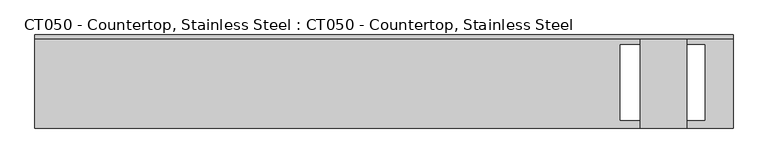
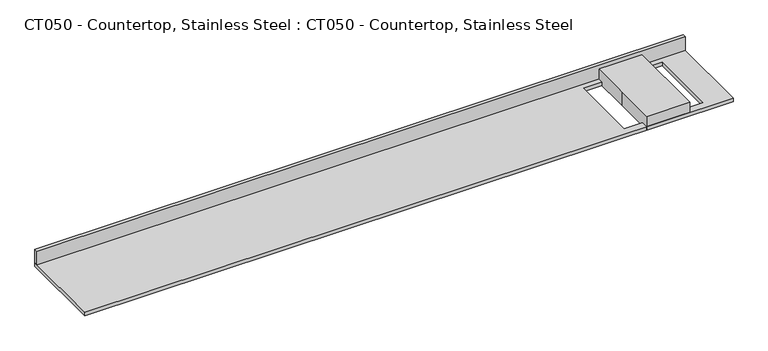
"""IFC4 building model written with IfcOpenShell, lengths in millimetres: proxy geometry, CT050 - Countertop, Stainless Steel : CT050 - Countertop, Stainless Steel."""

from ifc_helpers import new_model, si_unit, frame, origin, origin_with_axes, place, context, project, spatial, polyline, outline, extrude, source, transform, mapped, element, save


def ct050_countertop_stainless_steel_ct050_countertop_stainless_d9e87877(model_context):
    return source(origin(), model_context, "Body", "SweptSolid", [
        extrude(outline(polyline([(457.2, 304.8), (457.2, -304.8), (-4114.8, -304.8), (-4114.8, 304.8), (457.2, 304.8)]), holes=[polyline([(273.05, 241.5440541), (-280.66273, 241.5440541), (-280.66273, -254.0), (273.05, -254.0), (273.05, 241.5440541)])]), origin_with_axes(), (0.0, 0.0, 1.0), 25.4),
        extrude(outline(polyline([(-4114.8, 279.4), (-4114.8, 304.8), (457.2, 304.8), (457.2, 279.4), (-4114.8, 279.4)])), frame((0.0, 0.0, 25.4), z_axis=(0.0, 0.0, 1.0), x_axis=(1.0, 0.0, 0.0)), (0.0, 0.0, 1.0), 101.6),
        extrude(outline(polyline([(-152.4, 304.8), (152.4, 304.8), (152.4, -304.8), (-152.4, -304.8), (-152.4, 0.0), (-152.4, 304.8)])), origin_with_axes(), (0.0, 0.0, 1.0), 101.6),
    ])


if __name__ == "__main__":
    model = new_model("IFC4")
    model_context = context("Model", 3, world=origin())
    ifc_project = project(units=[si_unit("LENGTHUNIT", "METRE", prefix="MILLI")], contexts=[model_context])
    site = spatial("IfcSite", under=ifc_project)
    building = spatial("IfcBuilding", under=site)
    placement = place(None, origin())
    ct050_countertop_stainless_steel_ct050_countertop_stainless_shape = ct050_countertop_stainless_steel_ct050_countertop_stainless_d9e87877(model_context)
    element("IfcBuildingElementProxy", 1, Name="CT050 - Countertop, Stainless Steel : CT050 - Countertop, Stainless Steel", ObjectType="CT050 - Countertop, Stainless Steel : CT050 - Countertop, Stainless Steel", at=placement, inside=building, context=model_context, shape_type="MappedRepresentation", body=[
        mapped(ct050_countertop_stainless_steel_ct050_countertop_stainless_shape, transform((0.0, 0.0, 0.0), x_axis=(1.0, 0.0, 0.0), y_axis=(0.0, 1.0, 0.0), z_axis=(0.0, 0.0, 1.0))),
    ])
    save(model, "model.ifc")
